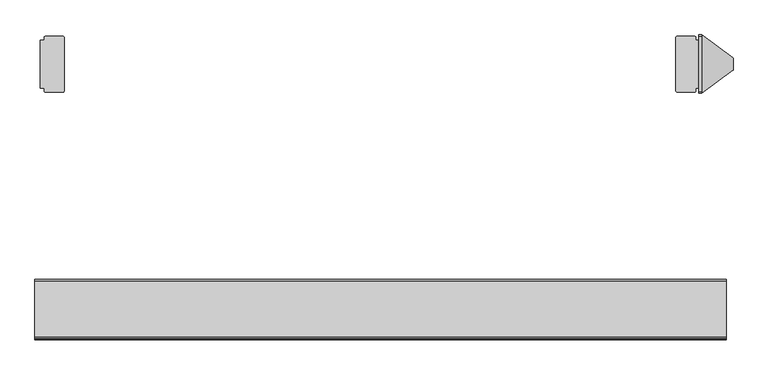
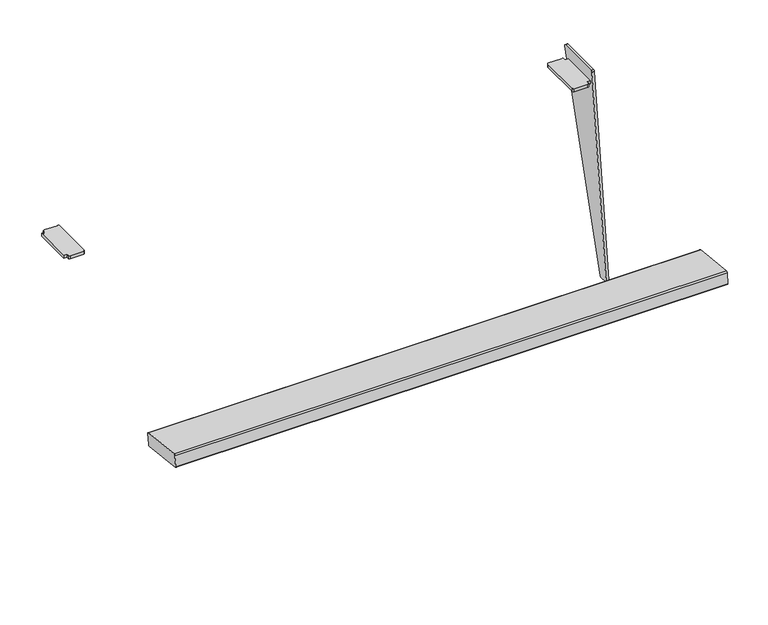
"""IFC4 building model written with IfcOpenShell, lengths in millimetres: furniture geometry."""

from ifc_helpers import new_model, si_unit, point, frame, frame_2d, origin, place, context, project, spatial, polyline, circle_curve, trimmed, segment, composite_curve, outline, extrude, source, transform, mapped, element, save


def furniture_4918e5da(model_context):
    return source(origin(), model_context, "Body", "SweptSolid", [
        extrude(outline(composite_curve([segment(polyline([(-182.7340435, 436.4940962), (-186.4473882, 402.4541179)]), True, "CONTINUOUS"), segment(trimmed(circle_curve(frame_2d((-190.4237982, 402.8878955)), 4.0), [point((-186.4473882, 402.4541179))], [point((-190.8575759, 398.9114855))], False, "CARTESIAN"), True, "CONTINUOUS"), segment(polyline([(-190.8575759, 398.9114855), (-329.8125073, 414.0697662)]), True, "CONTINUOUS"), segment(trimmed(circle_curve(frame_2d((-329.3787297, 418.0461763)), 4.0), [point((-329.8125073, 414.0697662))], [point((-333.3551397, 418.4799539))], False, "CARTESIAN"), True, "CONTINUOUS"), segment(polyline([(-333.3551397, 418.4799539), (-329.6415546, 452.5221365)]), True, "CONTINUOUS"), segment(trimmed(circle_curve(frame_2d((-325.6651446, 452.0883589)), 4.0), [point((-329.6415546, 452.5221365))], [point((-325.2313039, 456.0647621))], False, "CARTESIAN"), True, "CONTINUOUS"), segment(polyline([(-325.2313039, 456.0647621), (-186.2766129, 440.904277)]), True, "CONTINUOUS"), segment(trimmed(circle_curve(frame_2d((-186.7104536, 436.9278738)), 4.0), [point((-186.2766129, 440.904277))], [point((-182.7340435, 436.4940962))], False, "CARTESIAN"), True, "CONTINUOUS")], self_intersect=False)), frame((-862.7477225, 0.0, 0.0), z_axis=(1.0, 0.0, 0.0), x_axis=(0.0, 1.0, 0.0)), (0.0, 0.0, 1.0), 1726.2047102),
        extrude(outline(composite_curve([segment(trimmed(circle_curve(frame_2d((740.9997902, 421.4776321)), 4.0), [point((736.9997902, 421.4776321))], [point((740.9997902, 425.4776321))], False, "CARTESIAN"), True, "CONTINUOUS"), segment(polyline([(740.9997902, 425.4776321), (782.9997902, 425.4776321)]), True, "CONTINUOUS"), segment(trimmed(circle_curve(frame_2d((782.9997902, 421.4776321)), 4.0), [point((782.9997902, 425.4776321))], [point((786.9997902, 421.4776321))], False, "CARTESIAN"), True, "CONTINUOUS"), segment(polyline([(786.9997902, 421.4776321), (786.9997902, 415.4775105), (796.9703536, 415.4775105), (796.9703536, 295.4775105), (786.9997902, 295.4775105), (786.9997902, 289.4776321)]), True, "CONTINUOUS"), segment(trimmed(circle_curve(frame_2d((782.9997902, 289.4776321)), 4.0), [point((786.9997902, 289.4776321))], [point((782.9997902, 285.4776321))], False, "CARTESIAN"), True, "CONTINUOUS"), segment(polyline([(782.9997902, 285.4776321), (740.9997902, 285.4776321)]), True, "CONTINUOUS"), segment(trimmed(circle_curve(frame_2d((740.9997902, 289.4776321)), 4.0), [point((740.9997902, 285.4776321))], [point((736.9997902, 289.4776321))], False, "CARTESIAN"), True, "CONTINUOUS"), segment(polyline([(736.9997902, 289.4776321), (736.9997902, 421.4776321)]), True, "CONTINUOUS")], self_intersect=False)), frame((0.0, 0.0, 720.7455365), z_axis=(0.0, 0.0, 1.0), x_axis=(1.0, 0.0, 0.0)), (0.0, 0.0, 1.0), 10.0),
        extrude(outline(composite_curve([segment(polyline([(-23.01464, 1e-07), (-0.0002806, 0.0)]), True, "CONTINUOUS"), segment(trimmed(circle_curve(frame_2d((-0.0002806, -4.0)), 4.0), [point((-0.0002806, 0.0))], [point((3.9883223, -3.698259))], False, "CARTESIAN"), True, "CONTINUOUS"), segment(polyline([(3.9883223, -3.698259), (61.2945299, -761.2080683)]), True, "CONTINUOUS"), segment(trimmed(circle_curve(frame_2d((57.3337499, -761.5077045)), 3.9720976), [point((61.2945299, -761.2080683))], [point((57.3337499, -765.4798021))], False, "CARTESIAN"), True, "CONTINUOUS"), segment(polyline([(57.3337499, -765.4798021), (-80.9730399, -765.4798021)]), True, "CONTINUOUS"), segment(trimmed(circle_curve(frame_2d((-80.9730399, -761.507273)), 3.9725291), [point((-80.9730399, -765.4798021))], [point((-84.9339897, -761.2041832))], False, "CARTESIAN"), True, "CONTINUOUS"), segment(polyline([(-84.9339897, -761.2041832), (-26.9672373, -3.6617014)]), True, "CONTINUOUS"), segment(trimmed(circle_curve(frame_2d((-23.0146401, -3.9641521)), 3.9641521), [point((-26.9672373, -3.6617014))], [point((-23.01464, 1e-07))], False, "CARTESIAN"), True, "CONTINUOUS")], self_intersect=False)), frame((872.4840901, 344.4207239, 10.5578493), z_axis=(0.9946984865140415, 0.0, 0.10283443453763687), x_axis=(7.696630698853913e-05, -0.9999997199121733, -0.0007444808678950341)), (0.0, 0.0, 1.0), 7.463358),
        extrude(outline(composite_curve([segment(polyline([(-789.5251498, 421.4776321), (-789.5251498, 289.4776321)]), True, "CONTINUOUS"), segment(trimmed(circle_curve(frame_2d((-793.5251498, 289.4776321)), 4.0), [point((-789.5251498, 289.4776321))], [point((-793.5251498, 285.4776321))], False, "CARTESIAN"), True, "CONTINUOUS"), segment(polyline([(-793.5251498, 285.4776321), (-835.5251498, 285.4776321)]), True, "CONTINUOUS"), segment(trimmed(circle_curve(frame_2d((-835.5251498, 289.4776321)), 4.0), [point((-835.5251498, 285.4776321))], [point((-839.5251498, 289.4776321))], False, "CARTESIAN"), True, "CONTINUOUS"), segment(polyline([(-839.5251498, 289.4776321), (-839.5251498, 295.4775105), (-849.4957131, 295.4775105), (-849.4957131, 415.4775105), (-839.5251498, 415.4775105), (-839.5251498, 421.4776321)]), True, "CONTINUOUS"), segment(trimmed(circle_curve(frame_2d((-835.5251498, 421.4776321)), 4.0), [point((-839.5251498, 421.4776321))], [point((-835.5251498, 425.4776321))], False, "CARTESIAN"), True, "CONTINUOUS"), segment(polyline([(-835.5251498, 425.4776321), (-793.5251498, 425.4776321)]), True, "CONTINUOUS"), segment(trimmed(circle_curve(frame_2d((-793.5251498, 421.4776321)), 4.0), [point((-793.5251498, 425.4776321))], [point((-789.5251498, 421.4776321))], False, "CARTESIAN"), True, "CONTINUOUS")], self_intersect=False)), frame((0.0, 0.0, 720.7455365), z_axis=(0.0, 0.0, 1.0), x_axis=(1.0, 0.0, 0.0)), (0.0, 0.0, 1.0), 10.0),
    ])


if __name__ == "__main__":
    model = new_model("IFC4")
    model_context = context("Model", 3, world=origin())
    ifc_project = project(units=[si_unit("LENGTHUNIT", "METRE", prefix="MILLI")], contexts=[model_context])
    site = spatial("IfcSite", under=ifc_project)
    building = spatial("IfcBuilding", under=site)
    placement = place(None, origin())
    furniture_shape = furniture_4918e5da(model_context)
    element("IfcFurniture", 1, at=placement, inside=building, context=model_context, shape_type="MappedRepresentation", body=[
        mapped(furniture_shape, transform((0.0, 0.0, 0.0), x_axis=(1.0, 0.0, 0.0), y_axis=(0.0, 1.0, 0.0), z_axis=(0.0, 0.0, 1.0))),
    ])
    save(model, "model.ifc")
